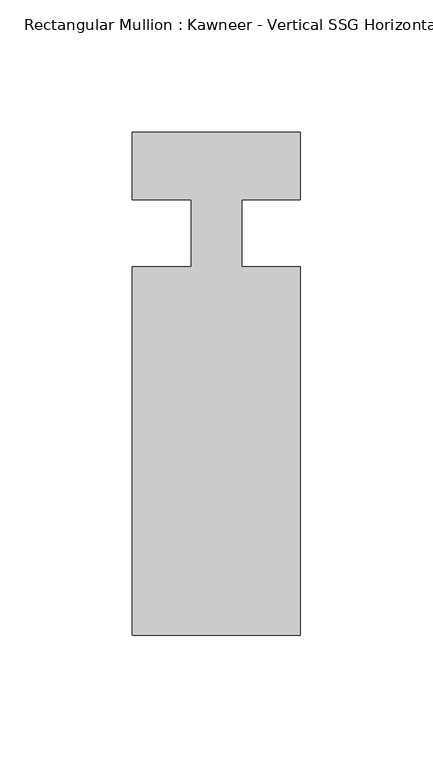
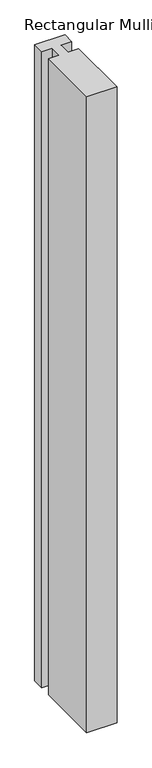
"""IFC4 building model written with IfcOpenShell, lengths in millimetres: member geometry."""

import ifcopenshell
import ifcopenshell.guid

model = None  # the IFC model being written
_history = None  # IfcOwnerHistory: only IFC2X3 demands one
_inside = {}  # id of a spatial element -> (the spatial element, [elements in it])
_under = {}  # id of a project, library or spatial element -> (it, [spatial elements below it])
_declared = {}  # id of a project -> (the project, [libraries it declares])
_typed = {}  # id of a type object -> (the type object, [elements of that type])
_made_of = {}  # id of a material, layer set ... -> (it, [elements and type objects made of it])


def new_model(schema):
    """Start an empty IFC model of exactly this schema.

    Asked for "IFC4X3", IfcOpenShell would pick the latest addendum, in which some entities
    have other attributes; the version numbers below select the first issue.
    IFC2X3 requires an IfcOwnerHistory on every rooted entity: one is made here for all.
    """
    global model, _history
    if schema == "IFC4X3":
        model = ifcopenshell.file(schema_version=(4, 3, 0, 0))
    else:
        model = ifcopenshell.file(schema=schema)
    _inside.clear()
    _under.clear()
    _declared.clear()
    _typed.clear()
    _made_of.clear()
    _history = None
    if model.schema == "IFC2X3":
        org = make("IfcOrganization", Name="unknown")
        user = make(
            "IfcPersonAndOrganization",
            ThePerson=make("IfcPerson", FamilyName="unknown"),
            TheOrganization=org,
        )
        app = make(
            "IfcApplication",
            ApplicationDeveloper=org,
            Version="unknown",
            ApplicationFullName="unknown",
            ApplicationIdentifier="unknown",
        )
        _history = make(
            "IfcOwnerHistory",
            OwningUser=user,
            OwningApplication=app,
            ChangeAction="ADDED",
            CreationDate=0,
        )
    return model


def make(cls, **values):
    """One entity of the class cls with the attributes given. An attribute that is None is left unset."""
    return model.create_entity(
        cls, **{name: value for name, value in values.items() if value is not None}
    )


def rooted(cls, **values):
    """An entity with a GlobalId (a new one), such as an element, a storey or a relation."""
    return make(cls, GlobalId=ifcopenshell.guid.new(), OwnerHistory=_history, **values)


def si_unit(unit_type, name, prefix=None):
    """IfcSIUnit, for example si_unit("LENGTHUNIT", "METRE", prefix="MILLI")."""
    return make("IfcSIUnit", UnitType=unit_type, Prefix=prefix, Name=name)


def assignment(units):
    """IfcUnitAssignment: the units of a project."""
    return None if units is None else make("IfcUnitAssignment", Units=units)


def point(xyz):
    """IfcCartesianPoint."""
    return None if xyz is None else make("IfcCartesianPoint", Coordinates=xyz)


def direction(xyz):
    """IfcDirection."""
    return None if xyz is None else make("IfcDirection", DirectionRatios=xyz)


def frame(location, z_axis=None, x_axis=None):
    """IfcAxis2Placement3D, a coordinate frame: its origin and axes. An axis left out is left unset."""
    return make(
        "IfcAxis2Placement3D",
        Location=point(location),
        Axis=direction(z_axis),
        RefDirection=direction(x_axis),
    )


def origin():
    """The frame at (0, 0, 0) with its axes left unset."""
    return frame((0.0, 0.0, 0.0))


def place(relative_to, where):
    """IfcLocalPlacement: puts the frame where relative to a parent placement (None: the world)."""
    return make(
        "IfcLocalPlacement", PlacementRelTo=relative_to, RelativePlacement=where
    )


def context(
    kind, dimensions, precision=None, world=None, true_north=None, identifier=None
):
    """IfcGeometricRepresentationContext, for example the 3D "Model" context."""
    return make(
        "IfcGeometricRepresentationContext",
        ContextIdentifier=identifier,
        ContextType=kind,
        CoordinateSpaceDimension=dimensions,
        Precision=precision,
        WorldCoordinateSystem=world,
        TrueNorth=true_north,
    )


def project(units=None, contexts=None):
    """IfcProject with its units and contexts."""
    return rooted(
        "IfcProject",
        Name="project",
        RepresentationContexts=contexts,
        UnitsInContext=assignment(units),
    )


def spatial(cls, under=None, at=None, **own):
    """A site, building, storey or space (cls), placed at a placement, below another one or the project."""
    s = rooted(cls, ObjectPlacement=at, **own)
    if under is not None:
        _under.setdefault(under.id(), (under, []))[1].append(s)
    return s


def polyline(points):
    """IfcPolyline through the points."""
    return make("IfcPolyline", Points=[point(p) for p in points])


def outline(outer, holes=None, kind="AREA"):
    """IfcArbitraryClosedProfileDef: a profile drawn as a closed curve; with holes, ...WithVoids."""
    if holes is None:
        return make("IfcArbitraryClosedProfileDef", ProfileType=kind, OuterCurve=outer)
    return make(
        "IfcArbitraryProfileDefWithVoids",
        ProfileType=kind,
        OuterCurve=outer,
        InnerCurves=holes,
    )


def extrude(swept, where, along, depth):
    """IfcExtrudedAreaSolid: the profile swept, set in the frame where, extruded along a direction by depth."""
    return make(
        "IfcExtrudedAreaSolid",
        SweptArea=swept,
        Position=where,
        ExtrudedDirection=direction(along),
        Depth=depth,
    )


def shape(context_of_items, identifier, shape_type, items):
    """IfcShapeRepresentation: the items that make up one representation, for example the "Body"."""
    return make(
        "IfcShapeRepresentation",
        ContextOfItems=context_of_items,
        RepresentationIdentifier=identifier,
        RepresentationType=shape_type,
        Items=items,
    )


def source(mapping_origin, context_of_items, identifier, shape_type, items):
    """IfcRepresentationMap: a shape defined once, which mapped items show again and again."""
    return make(
        "IfcRepresentationMap",
        MappingOrigin=mapping_origin,
        MappedRepresentation=shape(context_of_items, identifier, shape_type, items),
    )


def transform(
    local_origin,
    x_axis=None,
    y_axis=None,
    z_axis=None,
    scale=None,
    scale2=None,
    scale3=None,
    uniform=True,
):
    """IfcCartesianTransformationOperator3D, or its non-uniform kind. x_axis, y_axis, z_axis: its Axis1, 2, 3."""
    if uniform:
        return make(
            "IfcCartesianTransformationOperator3D",
            Axis1=direction(x_axis),
            Axis2=direction(y_axis),
            LocalOrigin=point(local_origin),
            Scale=scale,
            Axis3=direction(z_axis),
        )
    return make(
        "IfcCartesianTransformationOperator3DnonUniform",
        Axis1=direction(x_axis),
        Axis2=direction(y_axis),
        LocalOrigin=point(local_origin),
        Scale=scale,
        Axis3=direction(z_axis),
        Scale2=scale2,
        Scale3=scale3,
    )


def mapped(mapping_source, mapping_target):
    """IfcMappedItem: shows the shape of a source again, moved by a transform."""
    return make(
        "IfcMappedItem", MappingSource=mapping_source, MappingTarget=mapping_target
    )


def made_of(thing, what):
    """Note that an element or type object is made of a material, layer set ...; save() writes the relation."""
    if what is not None:
        _made_of.setdefault(what.id(), (what, []))[1].append(thing)
    return thing


def element(
    cls,
    number,
    at=None,
    inside=None,
    cuts=None,
    type_object=None,
    material=None,
    context=None,
    identifier="Body",
    shape_type=None,
    held_by="IfcProductDefinitionShape",
    body=None,
    shapes=None,
    **own,
):
    """One element of the class cls, such as IfcWall. Its Tag is "e" and its number.

    at: its placement. inside: the storey or other place that contains it. cuts: it is an
    opening in that element (IfcRelVoidsElement). A single representation is given by context,
    identifier, shape_type and body (its items); several are given by shapes. held_by: the class
    of the entity that holds the representations. save() writes the other relations.
    """
    e = rooted(cls, Tag="e%d" % number, ObjectPlacement=at, **own)
    if body is not None:
        shapes = [shape(context, identifier, shape_type, body)]
    if shapes is not None:
        e.Representation = make(held_by, Representations=shapes)
    if inside is not None:
        _inside.setdefault(inside.id(), (inside, []))[1].append(e)
    if cuts is not None:
        rooted(
            "IfcRelVoidsElement", RelatingBuildingElement=cuts, RelatedOpeningElement=e
        )
    if type_object is not None:
        _typed.setdefault(type_object.id(), (type_object, []))[1].append(e)
    return made_of(e, material)


def aggregate(whole, parts):
    """IfcRelAggregates: a whole, such as a stair, and the parts it consists of."""
    return rooted("IfcRelAggregates", RelatingObject=whole, RelatedObjects=parts)


def save(model, path):
    """Write the relations noted so far, then the file.

    IfcRelAggregates (storeys below a building ...), IfcRelContainedInSpatialStructure (elements
    in a storey), IfcRelDefinesByType, IfcRelAssociatesMaterial and IfcRelDeclares: one each for
    every whole, place, type object, material and project.
    """
    for whole, parts in _under.values():
        aggregate(whole, parts)
    for where, things in _inside.values():
        rooted(
            "IfcRelContainedInSpatialStructure",
            RelatedElements=things,
            RelatingStructure=where,
        )
    for kind, things in _typed.values():
        rooted("IfcRelDefinesByType", RelatedObjects=things, RelatingType=kind)
    for what, things in _made_of.values():
        rooted("IfcRelAssociatesMaterial", RelatedObjects=things, RelatingMaterial=what)
    for by, libraries in _declared.values():
        rooted("IfcRelDeclares", RelatingContext=by, RelatedDefinitions=libraries)
    model.write(path)


def member_363046a9(model_context):
    return source(origin(), model_context, "Body", "SweptSolid", [
        extrude(outline(polyline([(-9.525, 12.7), (-31.75, 12.7), (-31.75, 38.1), (31.75, 38.1), (31.75, 12.7), (9.5251132, 12.7), (9.5251132, -12.7), (31.75, -12.7), (31.75, -151.892), (-31.75, -151.892), (-31.75, -12.7), (-9.525, -12.7), (-9.525, 12.7)])), frame((0.0, 0.0, -1418.0902057), z_axis=(0.0, 0.0, 1.0), x_axis=(1.0, 0.0, 0.0)), (0.0, 0.0, 1.0), 1418.0902057),
    ])


if __name__ == "__main__":
    model = new_model("IFC4")
    model_context = context("Model", 3, world=origin())
    ifc_project = project(units=[si_unit("LENGTHUNIT", "METRE", prefix="MILLI")], contexts=[model_context])
    site = spatial("IfcSite", under=ifc_project)
    building = spatial("IfcBuilding", under=site)
    placement = place(None, origin())
    member_shape = member_363046a9(model_context)
    element("IfcMember", 1, ObjectType="Rectangular Mullion : Kawneer - Vertical SSG Horizontal Mullion - 7 1/2\"", at=placement, inside=building, context=model_context, shape_type="MappedRepresentation", body=[
        mapped(member_shape, transform((0.0, 0.0, 0.0), x_axis=(1.0, 0.0, 0.0), y_axis=(0.0, 1.0, 0.0), z_axis=(0.0, 0.0, 1.0))),
    ])
    save(model, "model.ifc")
